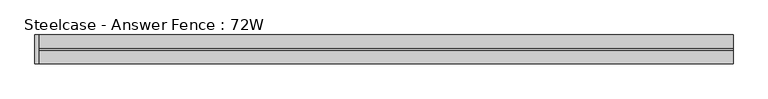
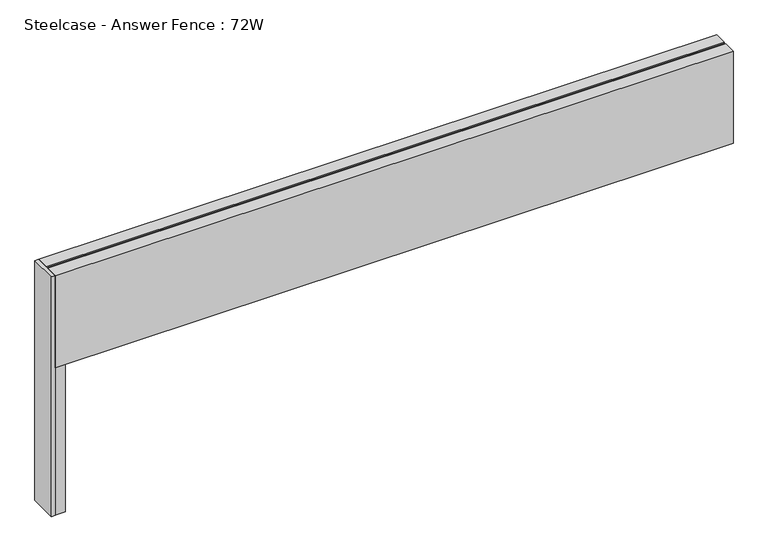
"""IFC4 building model written with IfcOpenShell, lengths in millimetres: furniture geometry, Steelcase - Answer Fence : 72W."""

from ifc_helpers import new_model, si_unit, frame, origin, place, context, project, spatial, polyline, outline, extrude, source, transform, mapped, element, save


def steelcase_answer_fence_72w_615b7558(model_context):
    return source(origin(), model_context, "Body", "SweptSolid", [
        extrude(outline(polyline([(-9.935178, -43.8092555), (-38.0832543, -43.8092555), (-38.0832543, -32.7724836), (-20.8608215, -32.7724836), (-20.8608215, 18.0275164), (-38.0701573, 18.0275164), (-38.0701573, 28.8855443), (-9.935178, 28.8855443), (-9.935178, -43.8092555)])), frame((0.0, 0.0, 15.4939671), z_axis=(0.0, 0.0, 1.0), x_axis=(1.0, 0.0, 0.0)), (0.0, 0.0, 1.0), 420.9763759),
        extrude(outline(polyline([(-48.2664464, -45.5635028), (-48.2664464, 30.7299), (-38.1, 30.7299), (-38.1, -45.5635028), (-48.2664464, -45.5635028)])), frame((0.0, 0.0, 15.4939671), z_axis=(0.0, 0.0, 1.0), x_axis=(1.0, 0.0, 0.0)), (0.0, 0.0, 1.0), 683.006),
        extrude(outline(polyline([(30.6507456, 698.5), (30.6507456, 436.470343), (-45.5168014, 436.470343), (-45.5168014, 698.5), (-10.7419756, 698.5), (-10.7419756, 695.721875), (-4.4428302, 695.721875), (-4.4428302, 698.5), (30.6507456, 698.5)])), frame((-38.1, 0.0, 0.0), z_axis=(1.0, 0.0, 0.0), x_axis=(0.0, 1.0, 0.0)), (0.0, 0.0, 1.0), 1826.768),
    ])


if __name__ == "__main__":
    model = new_model("IFC4")
    model_context = context("Model", 3, world=origin())
    ifc_project = project(units=[si_unit("LENGTHUNIT", "METRE", prefix="MILLI")], contexts=[model_context])
    site = spatial("IfcSite", under=ifc_project)
    building = spatial("IfcBuilding", under=site)
    placement = place(None, origin())
    steelcase_answer_fence_72w_shape = steelcase_answer_fence_72w_615b7558(model_context)
    element("IfcFurniture", 1, ObjectType="Steelcase - Answer Fence : 72W", at=placement, inside=building, context=model_context, shape_type="MappedRepresentation", body=[
        mapped(steelcase_answer_fence_72w_shape, transform((0.0, 0.0, 0.0), x_axis=(1.0, 0.0, 0.0), y_axis=(0.0, 1.0, 0.0), z_axis=(0.0, 0.0, 1.0))),
    ])
    save(model, "model.ifc")
